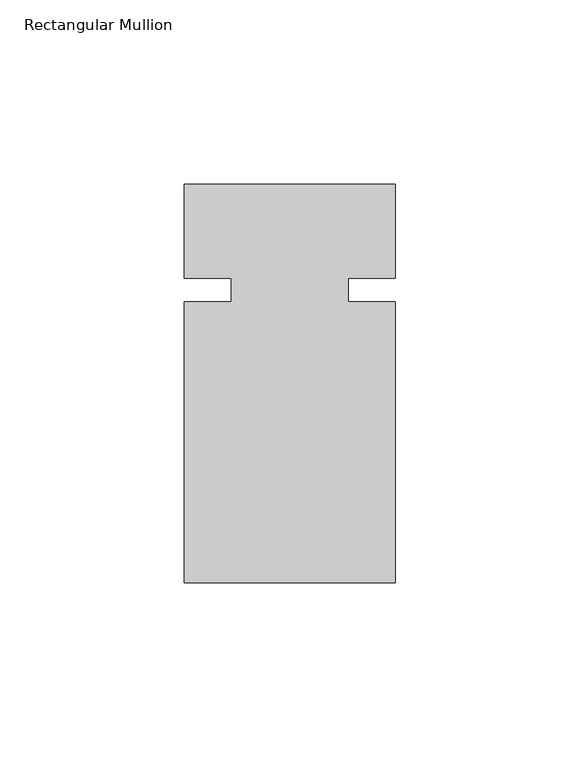
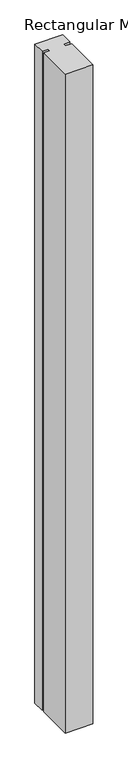
"""IFC4 building model written with IfcOpenShell, lengths in millimetres: member geometry, Rectangular Mullion."""

from ifc_helpers import new_model, si_unit, frame, origin, place, context, project, spatial, polyline, outline, extrude, source, transform, mapped, element, save


def rectangular_mullion_edce7291(model_context):
    return source(origin(), model_context, "Body", "SweptSolid", [
        extrude(outline(polyline([(32.9094027, -79.375), (-24.2405973, -79.375), (-24.2405973, -3.175), (-11.5405973, -3.175), (-11.5405973, 3.175), (-24.2405973, 3.175), (-24.2405973, 28.575), (32.9094027, 28.575), (32.9094027, 3.175), (20.2076322, 3.175), (20.2076322, -3.175), (32.9094027, -3.175), (32.9094027, -79.375)])), frame((0.0, 0.0, -1433.9405973), z_axis=(0.0, 0.0, 1.0), x_axis=(1.0, 0.0, 0.0)), (0.0, 0.0, 1.0), 1433.9405973),
    ])


if __name__ == "__main__":
    model = new_model("IFC4")
    model_context = context("Model", 3, world=origin())
    ifc_project = project(units=[si_unit("LENGTHUNIT", "METRE", prefix="MILLI")], contexts=[model_context])
    site = spatial("IfcSite", under=ifc_project)
    building = spatial("IfcBuilding", under=site)
    placement = place(None, origin())
    rectangular_mullion_shape = rectangular_mullion_edce7291(model_context)
    element("IfcMember", 1, ObjectType="Rectangular Mullion", at=placement, inside=building, context=model_context, shape_type="MappedRepresentation", body=[
        mapped(rectangular_mullion_shape, transform((0.0, 0.0, 0.0), x_axis=(1.0, 0.0, 0.0), y_axis=(0.0, 1.0, 0.0), z_axis=(0.0, 0.0, 1.0))),
    ])
    save(model, "model.ifc")
